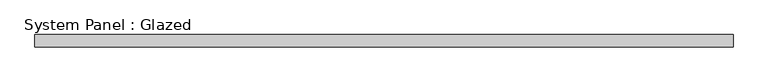
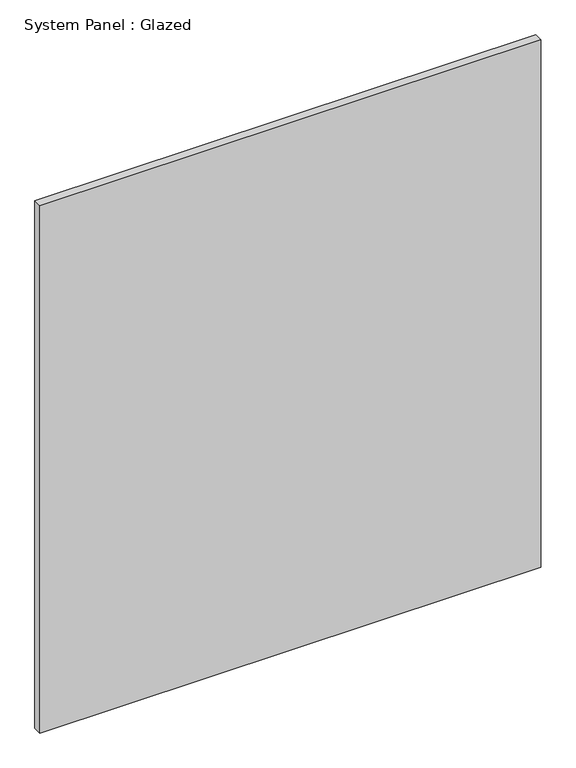
"""IFC4 building model written with IfcOpenShell, lengths in millimetres: plate geometry, System Panel : Glazed."""

from ifc_helpers import new_model, si_unit, origin, origin_with_axes, place, context, project, spatial, polyline, outline, extrude, source, transform, mapped, element, save


def system_panel_glazed_18d3bd53(model_context):
    return source(origin(), model_context, "Body", "SweptSolid", [
        extrude(outline(polyline([(730.25, -12.7), (-730.25, -12.7), (-730.25, 12.7), (730.25, 12.7), (730.25, -12.7)])), origin_with_axes(), (0.0, 0.0, 1.0), 1625.6),
    ])


if __name__ == "__main__":
    model = new_model("IFC4")
    model_context = context("Model", 3, world=origin())
    ifc_project = project(units=[si_unit("LENGTHUNIT", "METRE", prefix="MILLI")], contexts=[model_context])
    site = spatial("IfcSite", under=ifc_project)
    building = spatial("IfcBuilding", under=site)
    placement = place(None, origin())
    system_panel_glazed_shape = system_panel_glazed_18d3bd53(model_context)
    element("IfcPlate", 1, ObjectType="System Panel : Glazed", at=placement, inside=building, context=model_context, shape_type="MappedRepresentation", body=[
        mapped(system_panel_glazed_shape, transform((0.0, 0.0, 0.0), x_axis=(1.0, 0.0, 0.0), y_axis=(0.0, 1.0, 0.0), z_axis=(0.0, 0.0, 1.0))),
    ])
    save(model, "model.ifc")
